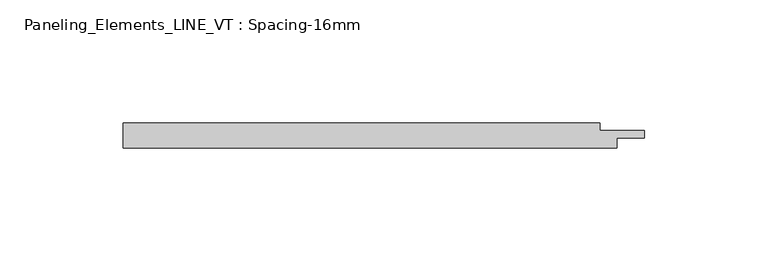
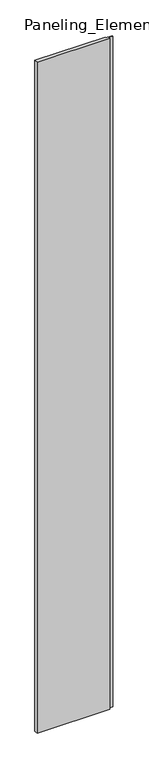
"""IFC4 building model written with IfcOpenShell, lengths in millimetres: plate geometry, Paneling_Elements_LINE_VT : Spacing-16mm."""

from ifc_helpers import new_model, si_unit, origin, origin_with_axes, place, context, project, spatial, polyline, outline, extrude, source, transform, mapped, element, save


def paneling_elements_line_vt_spacing_16mm_5859c266(model_context):
    return source(origin(), model_context, "Body", "SweptSolid", [
        extrude(outline(polyline([(-100.0, -5.0), (-100.0, 5.0), (93.0, 5.0), (93.0, 2.0), (111.0, 2.0), (111.0, -1.0), (100.0, -1.0), (100.0, -5.0), (-100.0, -5.0)])), origin_with_axes(), (0.0, 0.0, 1.0), 1951.0),
    ])


if __name__ == "__main__":
    model = new_model("IFC4")
    model_context = context("Model", 3, world=origin())
    ifc_project = project(units=[si_unit("LENGTHUNIT", "METRE", prefix="MILLI")], contexts=[model_context])
    site = spatial("IfcSite", under=ifc_project)
    building = spatial("IfcBuilding", under=site)
    placement = place(None, origin())
    paneling_elements_line_vt_spacing_16mm_shape = paneling_elements_line_vt_spacing_16mm_5859c266(model_context)
    element("IfcPlate", 1, ObjectType="Paneling_Elements_LINE_VT : Spacing-16mm", at=placement, inside=building, context=model_context, shape_type="MappedRepresentation", body=[
        mapped(paneling_elements_line_vt_spacing_16mm_shape, transform((0.0, 0.0, 0.0), x_axis=(1.0, 0.0, 0.0), y_axis=(0.0, 1.0, 0.0), z_axis=(0.0, 0.0, 1.0))),
    ])
    save(model, "model.ifc")
